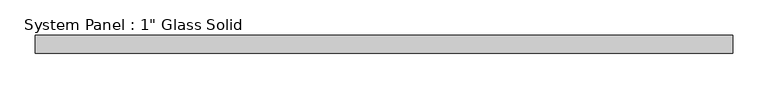
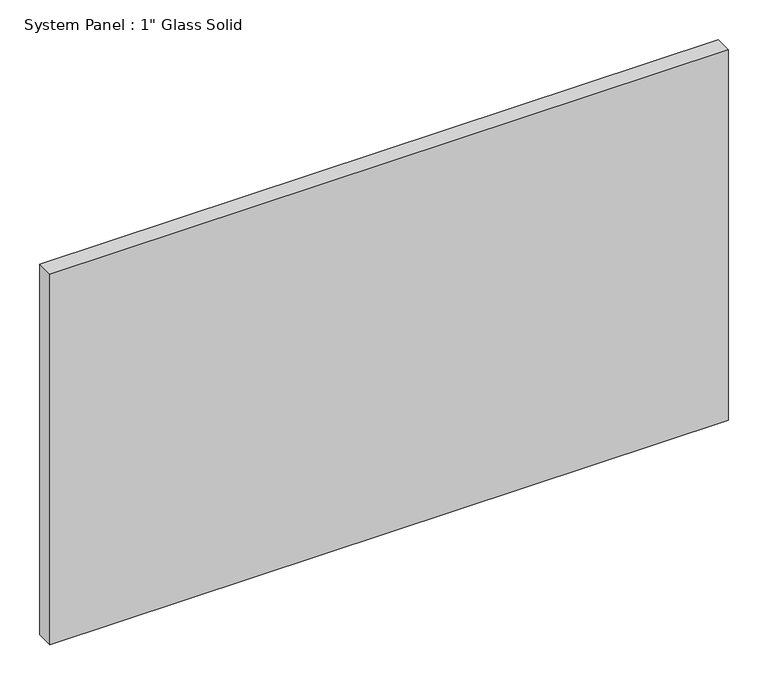
"""IFC4 building model written with IfcOpenShell, lengths in millimetres: plate geometry."""

from ifc_helpers import new_model, si_unit, origin, origin_with_axes, place, context, project, spatial, polyline, outline, extrude, source, transform, mapped, element, save


def plate_a390d560(model_context):
    return source(origin(), model_context, "Body", "SweptSolid", [
        extrude(outline(polyline([(492.125, -12.7), (-492.125, -12.7), (-492.125, 12.7), (492.125, 12.7), (492.125, -12.7)])), origin_with_axes(), (0.0, 0.0, 1.0), 568.325),
    ])


if __name__ == "__main__":
    model = new_model("IFC4")
    model_context = context("Model", 3, world=origin())
    ifc_project = project(units=[si_unit("LENGTHUNIT", "METRE", prefix="MILLI")], contexts=[model_context])
    site = spatial("IfcSite", under=ifc_project)
    building = spatial("IfcBuilding", under=site)
    placement = place(None, origin())
    plate_shape = plate_a390d560(model_context)
    element("IfcPlate", 1, ObjectType="System Panel : 1\" Glass Solid", at=placement, inside=building, context=model_context, shape_type="MappedRepresentation", body=[
        mapped(plate_shape, transform((0.0, 0.0, 0.0), x_axis=(1.0, 0.0, 0.0), y_axis=(0.0, 1.0, 0.0), z_axis=(0.0, 0.0, 1.0))),
    ])
    save(model, "model.ifc")
